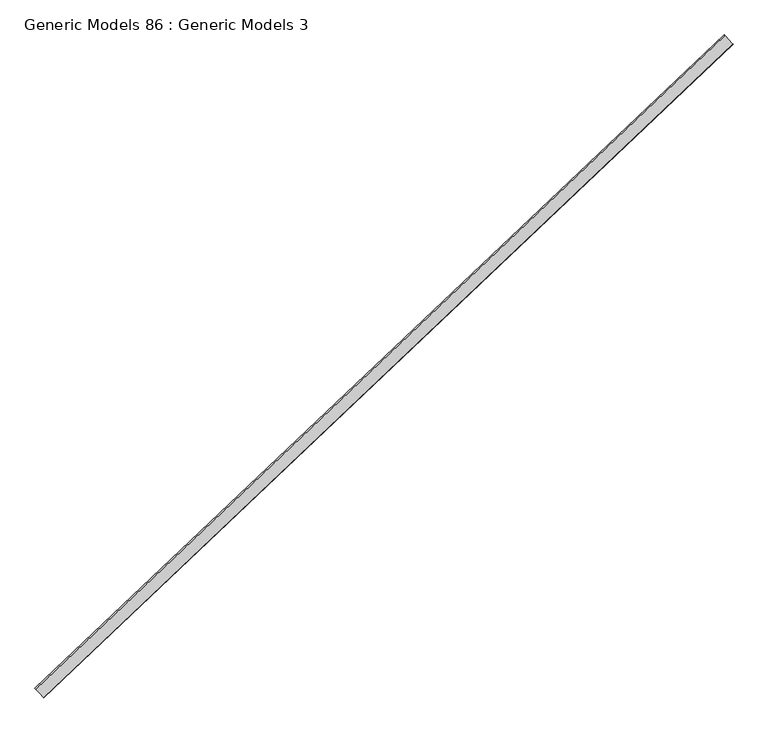
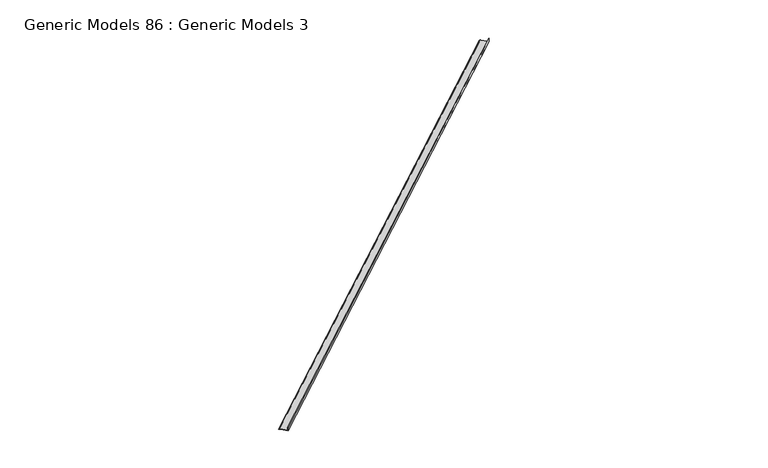
"""IFC4 building model written with IfcOpenShell, lengths in millimetres: proxy geometry, Generic Models 86 : Generic Models 3."""

from ifc_helpers import new_model, si_unit, origin, place, context, project, spatial, faceted_brep, source, transform, mapped, element, save


def generic_models_86_generic_models_3_b9c1cca4(model_context):
    return source(origin(), model_context, "Body", "Brep", [
        faceted_brep([(109896.9070511, 47362.944534, 18101.7531124), (109890.3260714, 47369.8794396, 18096.2333838), (109889.77969, 47370.4552055, 18097.6081992), (109896.6142462, 47363.253086, 18103.3406124), (109899.3631049, 47360.3563933, 18103.3406124), (109931.7064186, 47326.2736521, 18103.3406124), (109976.7128229, 47278.8467978, 18103.3406124), (109976.7128229, 47278.8467978, 18151.3255159), (109977.8055858, 47277.695266, 18151.3255159), (109977.8055858, 47277.695266, 18101.7531124), (109931.7403305, 47326.2379164, 18101.7531124), (109899.329193, 47360.392129, 18101.7531124), (103194.9918938, 41003.0645205, 18101.7531124), (103197.4140356, 41000.5121155, 18101.7531124), (103229.8251732, 40966.357903, 18101.7531124), (103275.8904284, 40917.8152525, 18101.7531124), (103275.8904284, 40917.8152525, 18151.3255159), (103274.7976655, 40918.9667843, 18151.3255159), (103274.7976655, 40918.9667843, 18103.3406124), (103229.7912612, 40966.3936387, 18103.3406124), (103197.4479476, 41000.4763798, 18103.3406124), (103194.6990888, 41003.3730725, 18103.3406124), (103187.8645326, 41010.575192, 18097.6081992), (103188.4109141, 41009.9994261, 18096.2333838)], [[[0, 1, 2, 3, 4, 5, 6, 7, 8, 9, 10, 11]], [[12, 13, 14, 15, 16, 17, 18, 19, 20, 21, 22, 23]], [[1, 0, 12, 23]], [[0, 11, 10, 9, 15, 14, 13, 12]], [[6, 5, 4, 3, 21, 20, 19, 18]], [[3, 2, 22, 21]], [[7, 6, 18, 17]], [[8, 7, 17, 16]], [[9, 8, 16, 15]], [[2, 1, 23, 22]]]),
    ])


if __name__ == "__main__":
    model = new_model("IFC4")
    model_context = context("Model", 3, world=origin())
    ifc_project = project(units=[si_unit("LENGTHUNIT", "METRE", prefix="MILLI")], contexts=[model_context])
    site = spatial("IfcSite", under=ifc_project)
    building = spatial("IfcBuilding", under=site)
    placement = place(None, origin())
    generic_models_86_generic_models_3_shape = generic_models_86_generic_models_3_b9c1cca4(model_context)
    element("IfcBuildingElementProxy", 1, Name="Generic Models 86 : Generic Models 3", ObjectType="Generic Models 86 : Generic Models 3", at=placement, inside=building, context=model_context, shape_type="MappedRepresentation", body=[
        mapped(generic_models_86_generic_models_3_shape, transform((0.0, 0.0, 0.0), x_axis=(1.0, 0.0, 0.0), y_axis=(0.0, 1.0, 0.0), z_axis=(0.0, 0.0, 1.0))),
    ])
    save(model, "model.ifc")
